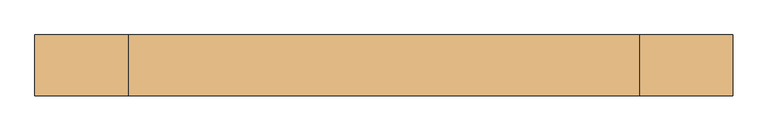
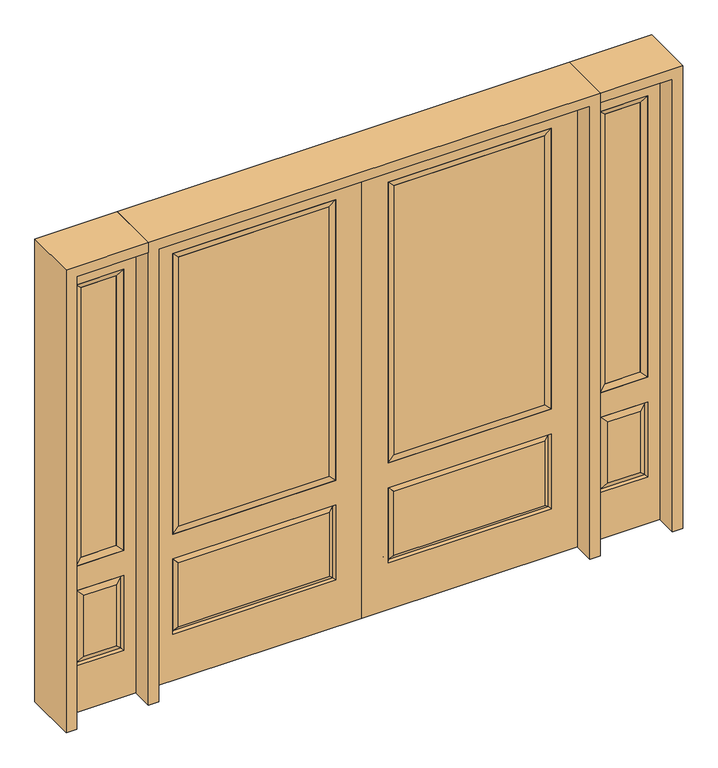
"""IFC4 building model written with IfcOpenShell, lengths in millimetres: door geometry."""

from ifc_helpers import new_model, si_unit, frame, origin, place, context, project, spatial, polyline, outline, extrude, faceted_brep, source, transform, mapped, element, save


def door_ee4b613d(model_context):
    return source(origin(), model_context, "Body", "SolidModel", [
        faceted_brep([(796.1661499, -12.7912373, 216.6588501), (778.66875, -22.225, 234.15625), (135.73125, -22.225, 234.15625), (118.2338501, -12.7912373, 216.6588501), (111.125, -22.225, 209.55), (803.275, -22.225, 209.55), (803.275, -22.225, 546.1), (796.1661499, -12.7912373, 538.9911499), (0.0, -22.225, 2032.0), (0.0, -22.225, 0.0), (914.4, -22.225, 0.0), (914.4, -22.225, 2032.0), (111.125, -22.225, 546.1), (111.125, -22.225, 1917.7), (803.275, -22.225, 1917.7), (803.275, -22.225, 657.098), (111.125, -22.225, 657.098), (778.66875, -22.225, 521.49375), (135.73125, -22.225, 521.49375), (118.2338501, -12.7912373, 538.9911499), (914.4, 22.225, 0.0), (914.4, 22.225, 2032.0), (0.0, 22.225, 0.0), (0.0, 22.225, 2032.0), (111.125, 22.225, 657.098), (111.125, 22.225, 1917.7), (803.275, 22.225, 657.098), (803.275, 22.225, 1917.7), (135.73125, 22.225, 234.15625), (135.73125, 22.225, 521.49375), (778.66875, 22.225, 521.49375), (778.66875, 22.225, 234.15625), (803.275, 22.225, 209.55), (803.275, 22.225, 546.1), (111.125, 22.225, 546.1), (111.125, 22.225, 209.55), (118.2338501, 12.7912373, 216.6588501), (796.1661499, 12.7912373, 216.6588501), (118.2338501, 12.7912373, 538.9911499), (796.1661499, 12.7912373, 538.9911499)], [[[0, 1, 2, 3]], [[3, 4, 5, 0]], [[5, 6, 7, 0]], [[8, 9, 10, 11], [4, 12, 6, 5], [13, 14, 15, 16]], [[1, 17, 18, 2]], [[3, 19, 12, 4]], [[2, 18, 19, 3]], [[0, 7, 17, 1]], [[6, 12, 19, 7]], [[7, 19, 18, 17]], [[10, 20, 21, 11]], [[9, 22, 20, 10]], [[8, 23, 22, 9]], [[16, 24, 25, 13]], [[15, 26, 24, 16]], [[14, 27, 26, 15]], [[28, 29, 30, 31]], [[23, 21, 20, 22], [25, 24, 26, 27], [32, 33, 34, 35]], [[32, 35, 36, 37]], [[35, 34, 38, 36]], [[39, 38, 34, 33]], [[37, 39, 33, 32]], [[36, 28, 31, 37]], [[31, 30, 39, 37]], [[30, 29, 38, 39]], [[36, 38, 29, 28]], [[11, 21, 23, 8]], [[13, 25, 27, 14]]]),
        faceted_brep([(803.275, -22.225, 1917.7), (803.275, -22.225, 657.098), (803.275, 22.225, 657.098), (803.275, 22.225, 1917.7), (111.125, -22.225, 657.098), (111.125, 22.225, 657.098), (136.525, 5.08, 682.498), (777.875, 5.08, 682.498), (111.125, -22.225, 1917.7), (111.125, 22.225, 1917.7), (777.875, -20.32, 682.498), (136.525, -20.32, 682.498), (777.875, -20.32, 1892.3), (136.525, -20.32, 1892.3), (777.875, 5.08, 1892.3), (136.525, 5.08, 1892.3)], [[[0, 1, 2, 3]], [[1, 4, 5, 2]], [[2, 5, 6, 7]], [[4, 8, 9, 5]], [[10, 11, 4, 1]], [[12, 10, 1, 0]], [[11, 13, 8, 4]], [[7, 6, 11, 10]], [[14, 7, 10, 12]], [[6, 15, 13, 11]], [[3, 2, 7, 14]], [[5, 9, 15, 6]], [[8, 0, 3, 9]], [[13, 12, 0, 8]], [[15, 14, 12, 13]], [[9, 3, 14, 15]]]),
        extrude(outline(polyline([(136.525, -20.32), (136.525, 5.08), (777.875, 5.08), (777.875, -20.32), (136.525, -20.32)])), frame((0.0, 0.0, 682.498), z_axis=(0.0, 0.0, 1.0), x_axis=(1.0, 0.0, 0.0)), (0.0, 0.0, 1.0), 1209.802),
        faceted_brep([(958.85, -22.225, 0.0), (1263.65, -22.225, 0.0), (1263.65, -22.225, 2032.0), (958.85, -22.225, 2032.0), (1211.58, -22.225, 1919.224), (1211.58, -22.225, 657.098), (1010.92, -22.225, 657.098), (1010.92, -22.225, 1919.224), (1211.58, -22.225, 209.55), (1010.92, -22.225, 209.55), (1010.92, -22.225, 546.1), (1211.58, -22.225, 546.1), (1042.6351001, -22.225, 241.2651001), (1179.8648999, -22.225, 241.2651001), (1179.8648999, -22.225, 514.3848999), (1042.6351001, -22.225, 514.3848999), (958.85, 22.225, 0.0), (958.85, 22.225, 2032.0), (1263.65, 22.225, 2032.0), (1263.65, 22.225, 0.0), (1211.58, 22.225, 1919.224), (1010.92, 22.225, 1919.224), (1010.92, 22.225, 657.098), (1211.58, 22.225, 657.098), (1010.92, 22.225, 209.55), (1211.58, 22.225, 209.55), (1211.58, 22.225, 546.1), (1010.92, 22.225, 546.1), (1179.8648999, 22.225, 241.2651001), (1042.6351001, 22.225, 241.2651001), (1042.6351001, 22.225, 514.3848999), (1179.8648999, 22.225, 514.3848999), (1204.4711499, 12.7912373, 216.6588501), (1018.0288501, 12.7912373, 216.6588501), (1018.0288501, 12.7912373, 538.9911499), (1204.4711499, 12.7912373, 538.9911499), (1018.0288501, -12.7912373, 216.6588501), (1204.4711499, -12.7912373, 216.6588501), (1018.0288501, -12.7912373, 538.9911499), (1204.4711499, -12.7912373, 538.9911499)], [[[0, 1, 2, 3], [4, 5, 6, 7], [8, 9, 10, 11]], [[12, 13, 14, 15]], [[16, 17, 18, 19], [20, 21, 22, 23], [24, 25, 26, 27]], [[28, 29, 30, 31]], [[1, 0, 16, 19]], [[2, 1, 19, 18]], [[3, 2, 18, 17]], [[0, 3, 17, 16]], [[5, 4, 20, 23]], [[6, 5, 23, 22]], [[7, 6, 22, 21]], [[4, 7, 21, 20]], [[32, 33, 29, 28]], [[33, 32, 25, 24]], [[29, 33, 34, 30]], [[33, 24, 27, 34]], [[30, 34, 35, 31]], [[34, 27, 26, 35]], [[32, 28, 31, 35]], [[25, 32, 35, 26]], [[12, 36, 37, 13]], [[37, 36, 9, 8]], [[36, 12, 15, 38]], [[9, 36, 38, 10]], [[38, 15, 14, 39]], [[10, 38, 39, 11]], [[13, 37, 39, 14]], [[37, 8, 11, 39]]]),
        faceted_brep([(1010.92, 22.225, 1919.224), (1010.92, -22.225, 1919.224), (1211.58, -22.225, 1919.224), (1211.58, 22.225, 1919.224), (1036.32, 12.7, 1893.824), (1186.18, 12.7, 1893.824), (1036.32, -12.7, 1893.824), (1186.18, -12.7, 1893.824), (1211.58, -22.225, 657.098), (1211.58, 22.225, 657.098), (1186.18, 12.7, 682.498), (1186.18, -12.7, 682.498), (1010.92, -22.225, 657.098), (1010.92, 22.225, 657.098), (1036.32, 12.7, 682.498), (1036.32, -12.7, 682.498)], [[[0, 1, 2, 3]], [[4, 0, 3, 5]], [[6, 4, 5, 7]], [[1, 6, 7, 2]], [[3, 2, 8, 9]], [[5, 3, 9, 10]], [[7, 5, 10, 11]], [[2, 7, 11, 8]], [[9, 8, 12, 13]], [[10, 9, 13, 14]], [[11, 10, 14, 15]], [[8, 11, 15, 12]], [[13, 12, 1, 0]], [[14, 13, 0, 4]], [[15, 14, 4, 6]], [[12, 15, 6, 1]]]),
        extrude(outline(polyline([(1186.18, -12.7), (1036.32, -12.7), (1036.32, 12.7), (1186.18, 12.7), (1186.18, -12.7)])), frame((0.0, 0.0, 682.498), z_axis=(0.0, 0.0, 1.0), x_axis=(1.0, 0.0, 0.0)), (0.0, 0.0, 1.0), 1211.326),
        faceted_brep([(-1263.65, -22.225, 0.0), (-958.85, -22.225, 0.0), (-958.85, -22.225, 2032.0), (-1263.65, -22.225, 2032.0), (-1010.92, -22.225, 1919.224), (-1010.92, -22.225, 657.098), (-1211.58, -22.225, 657.098), (-1211.58, -22.225, 1919.224), (-1010.92, -22.225, 209.55), (-1211.58, -22.225, 209.55), (-1211.58, -22.225, 546.1), (-1010.92, -22.225, 546.1), (-1179.8648999, -22.225, 241.2651001), (-1042.6351001, -22.225, 241.2651001), (-1042.6351001, -22.225, 514.3848999), (-1179.8648999, -22.225, 514.3848999), (-1263.65, 22.225, 0.0), (-1263.65, 22.225, 2032.0), (-958.85, 22.225, 2032.0), (-958.85, 22.225, 0.0), (-1010.92, 22.225, 1919.224), (-1211.58, 22.225, 1919.224), (-1211.58, 22.225, 657.098), (-1010.92, 22.225, 657.098), (-1211.58, 22.225, 209.55), (-1010.92, 22.225, 209.55), (-1010.92, 22.225, 546.1), (-1211.58, 22.225, 546.1), (-1042.6351001, 22.225, 241.2651001), (-1179.8648999, 22.225, 241.2651001), (-1179.8648999, 22.225, 514.3848999), (-1042.6351001, 22.225, 514.3848999), (-1018.0288501, 12.7912373, 216.6588501), (-1204.4711499, 12.7912373, 216.6588501), (-1204.4711499, 12.7912373, 538.9911499), (-1018.0288501, 12.7912373, 538.9911499), (-1204.4711499, -12.7912373, 216.6588501), (-1018.0288501, -12.7912373, 216.6588501), (-1204.4711499, -12.7912373, 538.9911499), (-1018.0288501, -12.7912373, 538.9911499)], [[[0, 1, 2, 3], [4, 5, 6, 7], [8, 9, 10, 11]], [[12, 13, 14, 15]], [[16, 17, 18, 19], [20, 21, 22, 23], [24, 25, 26, 27]], [[28, 29, 30, 31]], [[1, 0, 16, 19]], [[2, 1, 19, 18]], [[3, 2, 18, 17]], [[0, 3, 17, 16]], [[5, 4, 20, 23]], [[6, 5, 23, 22]], [[7, 6, 22, 21]], [[4, 7, 21, 20]], [[32, 33, 29, 28]], [[33, 32, 25, 24]], [[29, 33, 34, 30]], [[33, 24, 27, 34]], [[30, 34, 35, 31]], [[34, 27, 26, 35]], [[32, 28, 31, 35]], [[25, 32, 35, 26]], [[12, 36, 37, 13]], [[37, 36, 9, 8]], [[36, 12, 15, 38]], [[9, 36, 38, 10]], [[38, 15, 14, 39]], [[10, 38, 39, 11]], [[13, 37, 39, 14]], [[37, 8, 11, 39]]]),
        faceted_brep([(-1211.58, 22.225, 1919.224), (-1211.58, -22.225, 1919.224), (-1010.92, -22.225, 1919.224), (-1010.92, 22.225, 1919.224), (-1186.18, 12.7, 1893.824), (-1036.32, 12.7, 1893.824), (-1186.18, -12.7, 1893.824), (-1036.32, -12.7, 1893.824), (-1010.92, -22.225, 657.098), (-1010.92, 22.225, 657.098), (-1036.32, 12.7, 682.498), (-1036.32, -12.7, 682.498), (-1211.58, -22.225, 657.098), (-1211.58, 22.225, 657.098), (-1186.18, 12.7, 682.498), (-1186.18, -12.7, 682.498)], [[[0, 1, 2, 3]], [[4, 0, 3, 5]], [[6, 4, 5, 7]], [[1, 6, 7, 2]], [[3, 2, 8, 9]], [[5, 3, 9, 10]], [[7, 5, 10, 11]], [[2, 7, 11, 8]], [[9, 8, 12, 13]], [[10, 9, 13, 14]], [[11, 10, 14, 15]], [[8, 11, 15, 12]], [[13, 12, 1, 0]], [[14, 13, 0, 4]], [[15, 14, 4, 6]], [[12, 15, 6, 1]]]),
        extrude(outline(polyline([(-1036.32, -12.7), (-1186.18, -12.7), (-1186.18, 12.7), (-1036.32, 12.7), (-1036.32, -12.7)])), frame((0.0, 0.0, 682.498), z_axis=(0.0, 0.0, 1.0), x_axis=(1.0, 0.0, 0.0)), (0.0, 0.0, 1.0), 1211.326),
        faceted_brep([(-796.1661499, -12.7912373, 216.6588501), (-118.2338501, -12.7912373, 216.6588501), (-135.73125, -22.225, 234.15625), (-778.66875, -22.225, 234.15625), (-803.275, -22.225, 209.55), (-111.125, -22.225, 209.55), (-796.1661499, -12.7912373, 538.9911499), (-803.275, -22.225, 546.1), (-135.73125, -22.225, 521.49375), (-778.66875, -22.225, 521.49375), (0.0, -22.225, 2032.0), (-914.4, -22.225, 2032.0), (-914.4, -22.225, 0.0), (0.0, -22.225, 0.0), (-111.125, -22.225, 546.1), (-111.125, -22.225, 1917.7), (-111.125, -22.225, 657.098), (-803.275, -22.225, 657.098), (-803.275, -22.225, 1917.7), (-118.2338501, -12.7912373, 538.9911499), (-914.4, 22.225, 2032.0), (-914.4, 22.225, 0.0), (0.0, 22.225, 0.0), (0.0, 22.225, 2032.0), (-111.125, 22.225, 1917.7), (-111.125, 22.225, 657.098), (-803.275, 22.225, 657.098), (-803.275, 22.225, 1917.7), (-803.275, 22.225, 209.55), (-111.125, 22.225, 209.55), (-111.125, 22.225, 546.1), (-803.275, 22.225, 546.1), (-135.73125, 22.225, 234.15625), (-778.66875, 22.225, 234.15625), (-778.66875, 22.225, 521.49375), (-135.73125, 22.225, 521.49375), (-796.1661499, 12.7912373, 216.6588501), (-118.2338501, 12.7912373, 216.6588501), (-118.2338501, 12.7912373, 538.9911499), (-796.1661499, 12.7912373, 538.9911499)], [[[0, 1, 2, 3]], [[1, 0, 4, 5]], [[4, 0, 6, 7]], [[3, 2, 8, 9]], [[10, 11, 12, 13], [5, 4, 7, 14], [15, 16, 17, 18]], [[1, 5, 14, 19]], [[2, 1, 19, 8]], [[0, 3, 9, 6]], [[7, 6, 19, 14]], [[6, 9, 8, 19]], [[12, 11, 20, 21]], [[13, 12, 21, 22]], [[10, 13, 22, 23]], [[16, 15, 24, 25]], [[17, 16, 25, 26]], [[18, 17, 26, 27]], [[23, 22, 21, 20], [28, 29, 30, 31], [24, 27, 26, 25]], [[32, 33, 34, 35]], [[28, 36, 37, 29]], [[29, 37, 38, 30]], [[39, 31, 30, 38]], [[36, 28, 31, 39]], [[37, 36, 33, 32]], [[33, 36, 39, 34]], [[34, 39, 38, 35]], [[37, 32, 35, 38]], [[11, 10, 23, 20]], [[15, 18, 27, 24]]]),
        faceted_brep([(-803.275, -22.225, 1917.7), (-803.275, 22.225, 1917.7), (-803.275, 22.225, 657.098), (-803.275, -22.225, 657.098), (-111.125, 22.225, 657.098), (-111.125, -22.225, 657.098), (-777.875, 5.08, 682.498), (-136.525, 5.08, 682.498), (-111.125, 22.225, 1917.7), (-111.125, -22.225, 1917.7), (-777.875, -20.32, 682.498), (-136.525, -20.32, 682.498), (-777.875, -20.32, 1892.3), (-136.525, -20.32, 1892.3), (-777.875, 5.08, 1892.3), (-136.525, 5.08, 1892.3)], [[[0, 1, 2, 3]], [[3, 2, 4, 5]], [[2, 6, 7, 4]], [[5, 4, 8, 9]], [[10, 3, 5, 11]], [[12, 0, 3, 10]], [[11, 5, 9, 13]], [[6, 10, 11, 7]], [[14, 12, 10, 6]], [[7, 11, 13, 15]], [[1, 14, 6, 2]], [[4, 7, 15, 8]], [[9, 8, 1, 0]], [[13, 9, 0, 12]], [[15, 13, 12, 14]], [[8, 15, 14, 1]]]),
        extrude(outline(polyline([(-136.525, -20.32), (-777.875, -20.32), (-777.875, 5.08), (-136.525, 5.08), (-136.525, -20.32)])), frame((0.0, 0.0, 682.498), z_axis=(0.0, 0.0, 1.0), x_axis=(1.0, 0.0, 0.0)), (0.0, 0.0, 1.0), 1209.802),
        extrude(outline(polyline([(2032.0, -958.85), (2076.45, -958.85), (2076.45, -1308.1), (0.0, -1308.1), (0.0, -1263.65), (2032.0, -1263.65), (2032.0, -958.85)])), frame((0.0, -114.3, 0.0), z_axis=(0.0, 1.0, 0.0), x_axis=(0.0, 0.0, 1.0)), (0.0, 0.0, 1.0), 228.6),
        extrude(outline(polyline([(2076.45, -958.85), (0.0, -958.85), (0.0, -914.4), (2032.0, -914.4), (2032.0, 914.4), (0.0, 914.4), (0.0, 958.85), (2076.45, 958.85), (2076.45, -958.85)])), frame((0.0, -114.3, 0.0), z_axis=(0.0, 1.0, 0.0), x_axis=(0.0, 0.0, 1.0)), (0.0, 0.0, 1.0), 228.6),
        extrude(outline(polyline([(0.0, 1263.65), (0.0, 1308.1), (2076.45, 1308.1), (2076.45, 958.85), (2032.0, 958.85), (2032.0, 1263.65), (0.0, 1263.65)])), frame((0.0, -114.3, 0.0), z_axis=(0.0, 1.0, 0.0), x_axis=(0.0, 0.0, 1.0)), (0.0, 0.0, 1.0), 228.6),
    ])


if __name__ == "__main__":
    model = new_model("IFC4")
    model_context = context("Model", 3, world=origin())
    ifc_project = project(units=[si_unit("LENGTHUNIT", "METRE", prefix="MILLI")], contexts=[model_context])
    site = spatial("IfcSite", under=ifc_project)
    building = spatial("IfcBuilding", under=site)
    placement = place(None, origin())
    door_shape = door_ee4b613d(model_context)
    element("IfcDoor", 1, at=placement, inside=building, context=model_context, shape_type="MappedRepresentation", body=[
        mapped(door_shape, transform((0.0, 0.0, 0.0), x_axis=(1.0, 0.0, 0.0), y_axis=(0.0, 1.0, 0.0), z_axis=(0.0, 0.0, 1.0))),
    ])
    save(model, "model.ifc")
